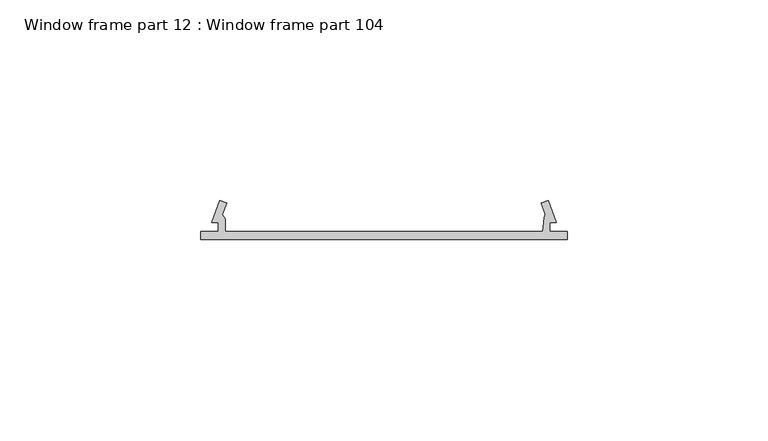
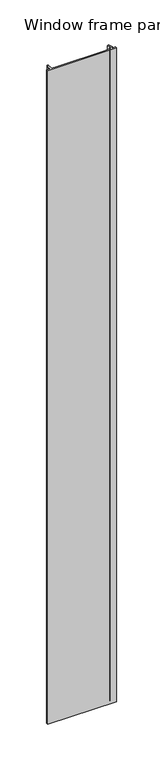
"""IFC4 building model written with IfcOpenShell, lengths in millimetres: proxy geometry, Window frame part 12 : Window frame part 104."""

from ifc_helpers import new_model, si_unit, frame, origin, place, context, project, spatial, polyline, outline, extrude, source, transform, mapped, element, save


def window_frame_part_12_window_frame_part_104_9af72025(model_context):
    return source(origin(), model_context, "Body", "SweptSolid", [
        extrude(outline(polyline([(37557.0823847, -20700.4480301), (37559.0889847, -20694.9362301), (37560.7599968, -20695.5444287), (37559.7211368, -20698.3892287), (37560.4364547, -20699.5590301), (37560.4364547, -20702.6324301), (37569.2312047, -20702.6324301), (37631.1487847, -20702.6324301), (37639.4291847, -20702.6324301), (37639.7635221, -20699.0815469), (37640.1330725, -20698.3892287), (37639.1043725, -20695.5444287), (37640.7753847, -20694.9362301), (37642.7819847, -20700.4480301), (37641.2071847, -20700.4480301), (37641.2071847, -20702.6324301), (37645.5251847, -20702.6324301), (37645.5251847, -20704.6644301), (37554.3404547, -20704.6644301), (37554.3404547, -20702.6324301), (37558.6584547, -20702.6324301), (37558.6571847, -20700.4480301), (37557.0823847, -20700.4480301)])), frame((0.0, 0.0, 910.5119968), z_axis=(0.0, 0.0, 1.0), x_axis=(1.0, 0.0, 0.0)), (0.0, 0.0, 1.0), 914.4),
    ])


if __name__ == "__main__":
    model = new_model("IFC4")
    model_context = context("Model", 3, world=origin())
    ifc_project = project(units=[si_unit("LENGTHUNIT", "METRE", prefix="MILLI")], contexts=[model_context])
    site = spatial("IfcSite", under=ifc_project)
    building = spatial("IfcBuilding", under=site)
    placement = place(None, origin())
    window_frame_part_12_window_frame_part_104_shape = window_frame_part_12_window_frame_part_104_9af72025(model_context)
    element("IfcBuildingElementProxy", 1, Name="Window frame part 12 : Window frame part 104", ObjectType="Window frame part 12 : Window frame part 104", at=placement, inside=building, context=model_context, shape_type="MappedRepresentation", body=[
        mapped(window_frame_part_12_window_frame_part_104_shape, transform((0.0, 0.0, 0.0), x_axis=(1.0, 0.0, 0.0), y_axis=(0.0, 1.0, 0.0), z_axis=(0.0, 0.0, 1.0))),
    ])
    save(model, "model.ifc")
